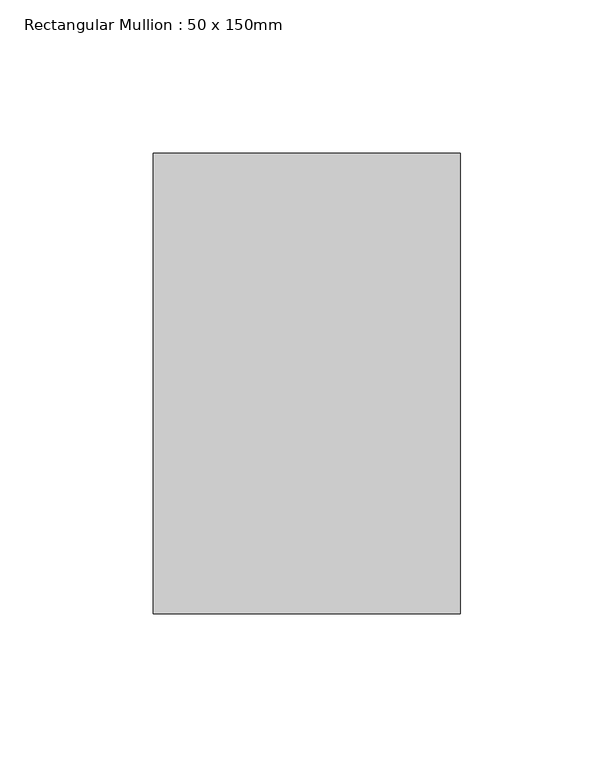
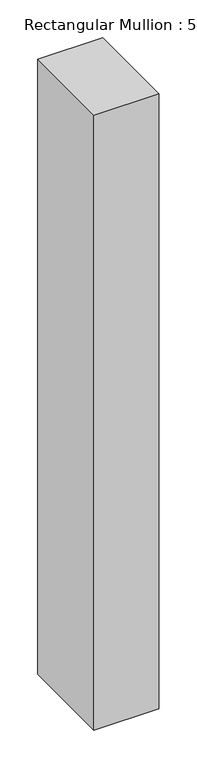
"""IFC4 building model written with IfcOpenShell, lengths in millimetres: member geometry, Rectangular Mullion : 50 x 150mm."""

from ifc_helpers import new_model, si_unit, frame, origin, place, context, project, spatial, polyline, outline, extrude, source, transform, mapped, element, save


def rectangular_mullion_50_x_150mm_1d13f27c(model_context):
    return source(origin(), model_context, "Body", "SweptSolid", [
        extrude(outline(polyline([(50.0, 75.0), (50.0, -75.0), (-50.0, -75.0), (-50.0, 75.0), (50.0, 75.0)])), frame((0.0, 0.0, -1000.0), z_axis=(0.0, 0.0, 1.0), x_axis=(1.0, 0.0, 0.0)), (0.0, 0.0, 1.0), 1000.0),
    ])


if __name__ == "__main__":
    model = new_model("IFC4")
    model_context = context("Model", 3, world=origin())
    ifc_project = project(units=[si_unit("LENGTHUNIT", "METRE", prefix="MILLI")], contexts=[model_context])
    site = spatial("IfcSite", under=ifc_project)
    building = spatial("IfcBuilding", under=site)
    placement = place(None, origin())
    rectangular_mullion_50_x_150mm_shape = rectangular_mullion_50_x_150mm_1d13f27c(model_context)
    element("IfcMember", 1, ObjectType="Rectangular Mullion : 50 x 150mm", at=placement, inside=building, context=model_context, shape_type="MappedRepresentation", body=[
        mapped(rectangular_mullion_50_x_150mm_shape, transform((0.0, 0.0, 0.0), x_axis=(1.0, 0.0, 0.0), y_axis=(0.0, 1.0, 0.0), z_axis=(0.0, 0.0, 1.0))),
    ])
    save(model, "model.ifc")
